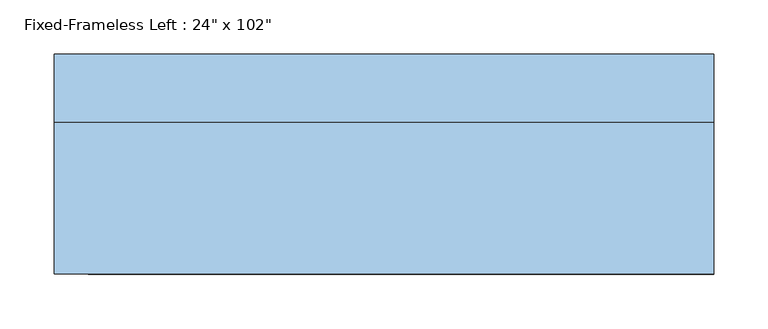
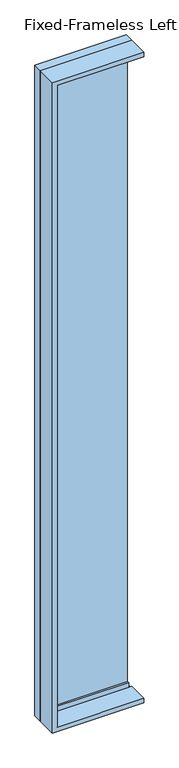
"""IFC4 building model written with IfcOpenShell, lengths in millimetres: window geometry."""

from ifc_helpers import new_model, si_unit, frame, origin, place, context, project, spatial, polyline, outline, extrude, source, transform, mapped, element, save


def window_6e26d157(model_context):
    return source(origin(), model_context, "Body", "SweptSolid", [
        extrude(outline(polyline([(247.65, 53.975), (-279.4, 53.975), (-279.4, 66.675), (247.65, 66.675), (247.65, 53.975)])), frame((0.0, 0.0, 368.3), z_axis=(0.0, 0.0, 1.0), x_axis=(1.0, 0.0, 0.0)), (0.0, 0.0, 1.0), 4473.0),
        extrude(outline(polyline([(4885.75, -323.85), (323.85, -323.85), (323.85, 247.65), (368.3, 247.65), (368.3, -279.4), (4841.3, -279.4), (4841.3, 247.65), (4885.75, 247.65), (4885.75, -323.85)])), frame((0.0, 38.1, 0.0), z_axis=(0.0, 1.0, 0.0), x_axis=(0.0, 0.0, 1.0)), (0.0, 0.0, 1.0), 44.45),
        extrude(outline(polyline([(4904.8, -342.9), (304.8, -342.9), (304.8, 266.7), (336.55, 266.7), (336.55, -311.15), (4873.05, -311.15), (4873.05, 266.7), (4904.8, 266.7), (4904.8, -342.9)])), frame((0.0, -101.6, 0.0), z_axis=(0.0, 1.0, 0.0), x_axis=(0.0, 0.0, 1.0)), (0.0, 0.0, 1.0), 139.7),
        extrude(outline(polyline([(4904.8, 266.7), (4904.8, -342.9), (304.8, -342.9), (304.8, 266.7), (323.85, 266.7), (323.85, -323.85), (4885.75, -323.85), (4885.75, 266.7), (4904.8, 266.7)])), frame((0.0, 38.1, 0.0), z_axis=(0.0, 1.0, 0.0), x_axis=(0.0, 0.0, 1.0)), (0.0, 0.0, 1.0), 63.5),
    ])


if __name__ == "__main__":
    model = new_model("IFC4")
    model_context = context("Model", 3, world=origin())
    ifc_project = project(units=[si_unit("LENGTHUNIT", "METRE", prefix="MILLI")], contexts=[model_context])
    site = spatial("IfcSite", under=ifc_project)
    building = spatial("IfcBuilding", under=site)
    placement = place(None, origin())
    window_shape = window_6e26d157(model_context)
    element("IfcWindow", 1, ObjectType="Fixed-Frameless Left : 24\" x 102\"", at=placement, inside=building, context=model_context, shape_type="MappedRepresentation", body=[
        mapped(window_shape, transform((0.0, 0.0, 0.0), x_axis=(1.0, 0.0, 0.0), y_axis=(0.0, 1.0, 0.0), z_axis=(0.0, 0.0, 1.0))),
    ])
    save(model, "model.ifc")
